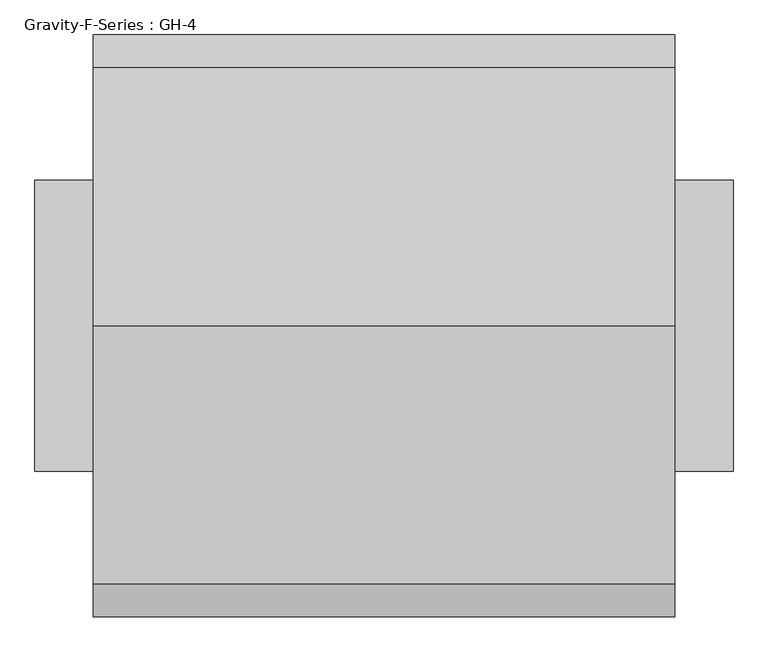
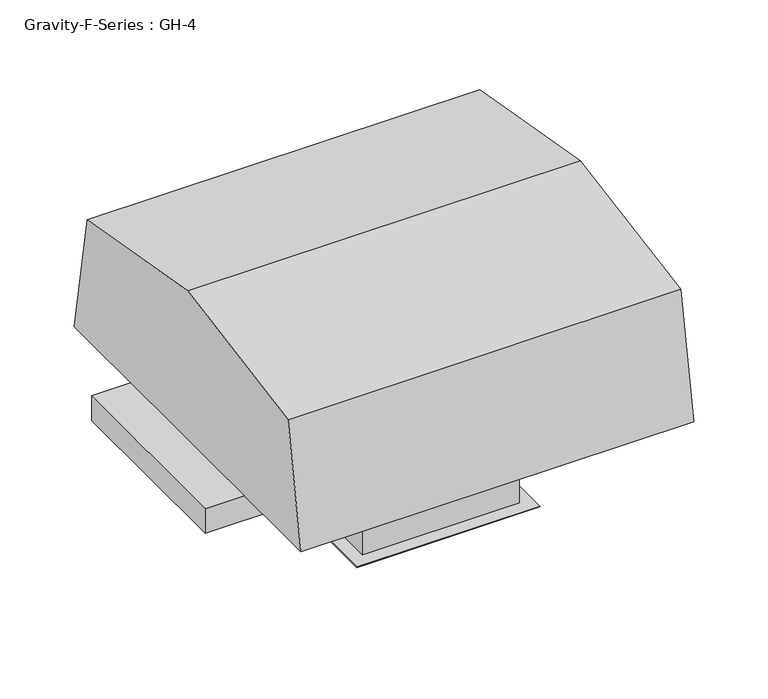
"""IFC4 building model written with IfcOpenShell, lengths in millimetres: proxy geometry, Gravity-F-Series : GH-4."""

from ifc_helpers import new_model, si_unit, frame, origin, origin_with_axes, place, context, project, spatial, polyline, outline, extrude, faceted_brep, source, transform, mapped, element, save


def gravity_f_series_gh_4_49520fbc(model_context):
    return source(origin(), model_context, "Body", "SolidModel", [
        faceted_brep([(253.0424473, 397.7765442, 298.45), (-356.5575527, 397.7765442, 298.45), (-356.5575527, -364.2234558, 298.45), (253.0424473, -364.2234558, 298.45), (-331.1575527, 372.3765442, 298.45), (227.6424473, 372.3765442, 298.45), (227.6424473, -335.6484558, 298.45), (-331.1575527, -335.6484558, 298.45), (253.0424473, 397.7765442, 0.0), (253.0424473, -364.2234558, 0.0), (-356.5575527, -364.2234558, 0.0), (-356.5575527, 397.7765442, 0.0), (249.8674473, -361.0484558, 0.0), (249.8674473, 394.9543219, 0.0), (-353.3825527, 394.9543219, 0.0), (-353.3825527, -361.0484558, 0.0), (253.0424473, 397.7765442, 273.05), (-356.5575527, 397.7765442, 273.05), (-356.5575527, -364.2234558, 273.05), (253.0424473, -364.2234558, 273.05), (249.8674473, -361.0484558, 273.05), (249.8674473, 394.9543219, 273.05), (-353.3825527, -361.0484558, 273.05), (-353.3825527, 394.9543219, 273.05), (-331.1575527, 372.3765442, 273.05), (-331.1575527, -335.6484558, 273.05), (227.6424473, -335.6484558, 273.05), (227.6424473, 372.3765442, 273.05)], [[[0, 1, 2, 3], [4, 5, 6, 7]], [[8, 9, 10, 11], [12, 13, 14, 15]], [[1, 0, 16, 8, 11, 17]], [[2, 1, 17, 11, 10, 18]], [[3, 2, 18, 10, 9, 19]], [[0, 3, 19, 9, 8, 16]], [[13, 12, 20, 21]], [[12, 15, 22, 20]], [[15, 14, 23, 22]], [[14, 13, 21, 23]], [[21, 20, 22, 23], [24, 25, 26, 27]], [[5, 4, 24, 27]], [[6, 5, 27, 26]], [[7, 6, 26, 25]], [[4, 7, 25, 24]]]),
        extrude(outline(polyline([(-407.3575527, -415.0234558), (-407.3575527, 448.5765442), (303.8424473, 448.5765442), (303.8424473, -415.0234558), (-407.3575527, -415.0234558)]), holes=[polyline([(-356.5575527, 397.7765442), (-356.5575527, -364.2234558), (253.0424473, -364.2234558), (253.0424473, 397.7765442), (-356.5575527, 397.7765442)])]), origin_with_axes(), (0.0, 0.0, 1.0), 3.175),
        faceted_brep([(265.7424473, 410.4765442, 304.8), (-369.2575527, 410.4765442, 304.8), (-369.2575527, -376.9234558, 304.8), (265.7424473, -376.9234558, 304.8), (265.7424473, 410.4765442, 260.35), (265.7424473, -376.9234558, 260.35), (-369.2575527, -376.9234558, 260.35), (-369.2575527, 410.4765442, 260.35), (262.5674473, -373.7484558, 260.35), (262.5674473, 407.3015442, 260.35), (-366.0825527, 407.3015442, 260.35), (-366.0825527, -373.7484558, 260.35), (262.5674473, 407.3015442, 301.625), (262.5674473, -373.7484558, 301.625), (-366.0825527, -373.7484558, 301.625), (-366.0825527, 407.3015442, 301.625)], [[[0, 1, 2, 3]], [[4, 5, 6, 7], [8, 9, 10, 11]], [[1, 0, 4, 7]], [[2, 1, 7, 6]], [[3, 2, 6, 5]], [[0, 3, 5, 4]], [[12, 13, 14, 15]], [[13, 12, 9, 8]], [[14, 13, 8, 11]], [[15, 14, 11, 10]], [[12, 15, 10, 9]]]),
        extrude(outline(polyline([(-745.2234558, 406.4), (-658.7370597, 896.8887258), (16.7765442, 1016.0), (692.2901481, 896.8887258), (778.7765442, 406.4), (-745.2234558, 406.4)])), frame((-813.7575527, 0.0, 0.0), z_axis=(1.0, 0.0, 0.0), x_axis=(0.0, 1.0, 0.0)), (0.0, 0.0, 1.0), 1524.0),
        extrude(outline(polyline([(862.6424473, 397.7765442), (862.6424473, -364.2234558), (-966.1575527, -364.2234558), (-966.1575527, 397.7765442), (862.6424473, 397.7765442)])), frame((0.0, 0.0, 304.8), z_axis=(0.0, 0.0, 1.0), x_axis=(1.0, 0.0, 0.0)), (0.0, 0.0, 1.0), 101.6),
    ])


if __name__ == "__main__":
    model = new_model("IFC4")
    model_context = context("Model", 3, world=origin())
    ifc_project = project(units=[si_unit("LENGTHUNIT", "METRE", prefix="MILLI")], contexts=[model_context])
    site = spatial("IfcSite", under=ifc_project)
    building = spatial("IfcBuilding", under=site)
    placement = place(None, origin())
    gravity_f_series_gh_4_shape = gravity_f_series_gh_4_49520fbc(model_context)
    element("IfcBuildingElementProxy", 1, Name="Gravity-F-Series : GH-4", ObjectType="Gravity-F-Series : GH-4", at=placement, inside=building, context=model_context, shape_type="MappedRepresentation", body=[
        mapped(gravity_f_series_gh_4_shape, transform((0.0, 0.0, 0.0), x_axis=(1.0, 0.0, 0.0), y_axis=(0.0, 1.0, 0.0), z_axis=(0.0, 0.0, 1.0))),
    ])
    save(model, "model.ifc")
